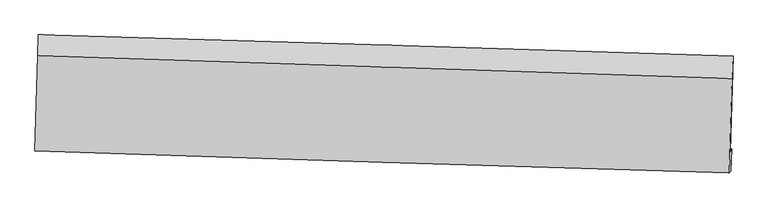
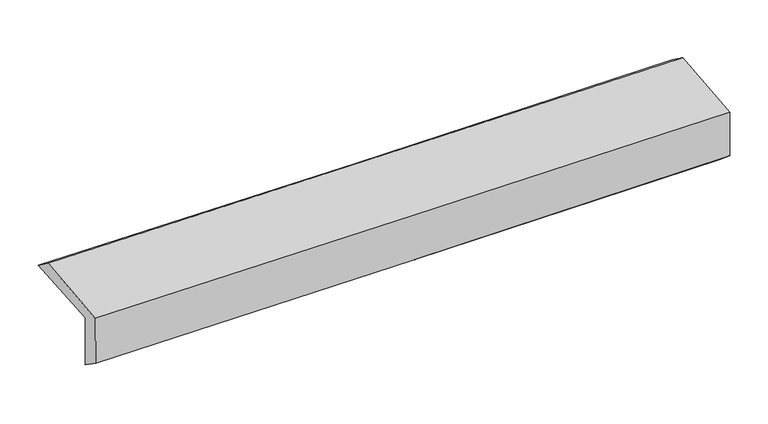
"""IFC4 building model written with IfcOpenShell, lengths in millimetres: proxy geometry."""

from ifc_helpers import new_model, si_unit, frame, origin, place, context, project, spatial, source, transform, mapped, element, save
from ifc_brep_helpers import plane_surface, spline_curve, spline_surface, advanced_brep


def generic_models_e211ffc7(model_context):
    return source(origin(), model_context, "Body", "AdvancedBrep", [
        advanced_brep(
        [(-2439.0905101, -1731.0002718, 1999.5044249), (-2420.4038487, -1062.4253387, 2021.7909494), (2424.6357886, -1210.6529913, 2102.0837817), (2405.3121308, -1879.7569359, 2079.7647074), (-2429.3074092, -1711.2160404, 1599.4420224), (2415.0922504, -1860.2478503, 1679.7529249), (-2436.1507492, -1863.1679496, 1707.0933521), (2407.4831447, -2017.0567312, 1808.4350032), (-2445.2111045, -1875.4178865, 2085.1716253), (2398.6622373, -2028.9829255, 2176.5213869), (-2426.9958939, -1207.9184393, 2126.5850826), (2417.3573906, -1366.4920974, 2217.6393941)],
        [
            (0, 1),
            (1, 2, spline_curve(3, [(-2420.4038487, -1062.4253387, 2021.7909494), (-1609.415504552, -1086.71518561, 2028.347272068), (-798.501290278, -1111.264481377, 2038.358334876), (816.510708096, -1160.677948533, 2065.179200905), (1620.609705822, -1185.537870508, 2081.932415473), (2424.6357886, -1210.6529913, 2102.0837817)], [4, 2, 4], [0.0, 7.985118889373757, 15.904569906819818])),
            (2, 3),
            (3, 0, spline_curve(3, [(2405.3121308, -1879.7569359, 2079.7647074), (1601.407519994, -1854.032912541, 2059.636142328), (797.422154418, -1828.823561585, 2042.897065652), (-817.377381169, -1779.22943601, 2016.087193923), (-1628.192895801, -1754.853232361, 2006.072843426), (-2439.0905101, -1731.0002718, 1999.5044249)], [4, 2, 4], [0.0, 7.919451017446061, 15.904569906819818])),
            (4, 0),
            (3, 5),
            (5, 4, spline_curve(3, [(2415.0922504, -1860.2478503, 1679.7529249), (1611.191253573, -1834.38645666, 1659.598170282), (807.207948692, -1809.085396843, 1642.841760843), (-807.590567032, -1759.398795934, 1616.014868255), (-1618.407148764, -1735.022585709, 1606.000976965), (-2429.3074092, -1711.2160404, 1599.4420224)], [4, 2, 4], [0.0, 7.918950017392104, 15.903563752433115])),
            (6, 4),
            (5, 7),
            (7, 6, spline_curve(3, [(2407.4831447, -2017.0567312, 1808.4350032), (1603.576410973, -1992.746565522, 1787.608174366), (799.653513596, -1967.82290996, 1768.776220211), (-814.890848368, -1916.536865726, 1734.96244999), (-1625.512582506, -1890.164260843, 1720.013853424), (-2436.1507492, -1863.1679496, 1707.0933521)], [4, 2, 4], [0.0, 7.918723315719239, 15.903108469283294])),
            (8, 6),
            (7, 9),
            (9, 8, spline_curve(3, [(2398.6622373, -2028.9829255, 2176.5213869), (1594.635944388, -2004.834408321, 2160.683626898), (790.633231206, -1980.018666896, 2145.182302807), (-823.991608862, -1928.841431849, 2114.726779553), (-1634.613342809, -1902.468826702, 2099.778183182), (-2445.2111045, -1875.4178865, 2085.1716253)], [4, 2, 4], [0.0, 7.918542275239702, 15.902744887141498])),
            (10, 8),
            (9, 11),
            (11, 10, spline_curve(3, [(2417.3573906, -1366.4920974, 2217.6393941), (1613.297530747, -1339.848683303, 2201.953900792), (809.238299359, -1313.366397448, 2186.553442481), (-805.546139377, -1260.505828232, 2156.197258638), (-1616.271335816, -1234.130227957, 2141.246280039), (-2426.9958939, -1207.9184393, 2126.5850826)], [4, 2, 4], [0.0, 7.91907958581196, 15.90382396365063])),
            (1, 10),
            (11, 2),
        ],
        [
            spline_surface(3, 3, [[(-2439.0905101, -1731.0002718, 1999.5044249), (-1628.192895801, -1754.853232468, 2006.072843305), (-817.377381128, -1779.229436111, 2016.087193968), (797.422154377, -1828.823561484, 2042.897065608), (1601.40752002, -1854.032912562, 2059.636142441), (2405.3121308, -1879.7569359, 2079.7647074)], [(-2432.861622967, -1508.141960748, 2006.933266397), (-1621.933765424, -1532.140550176, 2013.497652917), (-811.085350801, -1556.574451201, 2023.510907605), (803.785005604, -1606.108357217, 2050.324443985), (1607.80824868, -1631.201231866, 2067.068233443), (2411.753350083, -1656.722287706, 2087.204398847)], [(-2426.632735833, -1285.283649752, 2014.362107903), (-1615.674635046, -1309.427867942, 2020.922462539), (-804.793320519, -1333.919466214, 2030.934621323), (810.147856786, -1383.393152873, 2057.751822444), (1614.208977291, -1408.369551151, 2074.500324403), (2418.194569317, -1433.687639494, 2094.644090253)], [(-2420.4038487, -1062.4253387, 2021.7909494), (-1609.415504669, -1086.71518565, 2028.347272151), (-798.501290193, -1111.264481304, 2038.35833496), (816.510708012, -1160.677948605, 2065.179200821), (1620.609705951, -1185.537870455, 2081.932415405), (2424.6357886, -1210.6529913, 2102.0837817)]], [4, 4], [4, 2, 4], [0.0, 2.193882269496261], [0.0, 7.985118889373757, 15.904569906819818]),
            spline_surface(3, 3, [[(-2429.3074092, -1711.2160404, 1599.4420224), (-1618.40714876, -1735.022585614, 1606.000976847), (-807.590567121, -1759.398795877, 1616.014868318), (807.20794878, -1809.085396899, 1642.84176078), (1611.191253636, -1834.38645664, 1659.598170154), (2415.0922504, -1860.2478503, 1679.7529249)], [(-2432.568442814, -1717.810784199, 1732.796156559), (-1621.669064421, -1741.632801231, 1739.358265659), (-810.852838487, -1766.00900928, 1749.372310198), (803.946017282, -1815.664785086, 1776.193529053), (1607.93000909, -1840.935275288, 1792.944160917), (2411.832210526, -1866.75087884, 1813.090185734)], [(-2435.829476486, -1724.405528001, 1866.150290741), (-1624.93098014, -1748.243016851, 1872.715554493), (-814.115109761, -1772.619222708, 1882.729752087), (800.684085875, -1822.244173297, 1909.545297335), (1604.668764566, -1847.484093914, 1926.290151678), (2408.572170674, -1873.25390736, 1946.427446566)], [(-2439.0905101, -1731.0002718, 1999.5044249), (-1628.192895801, -1754.853232468, 2006.072843305), (-817.377381128, -1779.229436111, 2016.087193968), (797.422154377, -1828.823561484, 2042.897065608), (1601.40752002, -1854.032912562, 2059.636142441), (2405.3121308, -1879.7569359, 2079.7647074)]], [4, 4], [4, 2, 4], [0.0, 1.3145417876867245], [0.0, 7.984613735041011, 15.903563752433115]),
            spline_surface(3, 3, [[(-2436.1507492, -1863.1679496, 1707.0933521), (-1625.512582537, -1890.164260726, 1720.013853466), (-814.890848452, -1916.536865715, 1734.962449887), (799.653513679, -1967.822909971, 1768.776220314), (1603.576410902, -1992.74656554, 1787.608174259), (2407.4831447, -2017.0567312, 1808.4350032)], [(-2433.869635876, -1812.517313203, 1671.209575544), (-1623.14410462, -1838.450369025, 1682.00956127), (-812.457421311, -1864.157509102, 1695.31325605), (802.171658743, -1914.910405614, 1726.798067155), (1606.114691828, -1939.959862571, 1744.938172895), (2410.019513281, -1964.787104231, 1765.540977104)], [(-2431.588522524, -1761.866676797, 1635.325798956), (-1620.775626677, -1786.736477315, 1644.005269042), (-810.023994262, -1811.77815249, 1655.664062155), (804.689803716, -1861.997901256, 1684.819913939), (1608.65297271, -1887.173159609, 1702.268171518), (2412.555881819, -1912.517477269, 1722.646950996)], [(-2429.3074092, -1711.2160404, 1599.4420224), (-1618.40714876, -1735.022585614, 1606.000976847), (-807.590567121, -1759.398795877, 1616.014868318), (807.20794878, -1809.085396899, 1642.84176078), (1611.191253636, -1834.38645664, 1659.598170154), (2415.0922504, -1860.2478503, 1679.7529249)]], [4, 4], [4, 2, 4], [0.0, 0.6560212531230384], [0.0, 7.984385153564055, 15.903108469283294]),
            spline_surface(3, 3, [[(-2445.2111045, -1875.4178865, 2085.1716253), (-1634.613342887, -1902.468826753, 2099.778183206), (-823.991608801, -1928.841431743, 2114.726779627), (790.633231146, -1980.018667001, 2145.182302734), (1594.6359443, -2004.834408322, 2160.683626835), (2398.6622373, -2028.9829255, 2176.5213869)], [(-2442.190986066, -1871.334574206, 1959.145534225), (-1631.579756103, -1898.367304749, 1973.190073284), (-820.958022017, -1924.739909739, 1988.138669705), (793.639991991, -1975.953414663, 2019.713608586), (1597.616099817, -2000.805127376, 2036.325142629), (2401.60253975, -2025.007527381, 2053.825925653)], [(-2439.170867634, -1867.251261894, 1833.119443175), (-1628.546169321, -1894.265782729, 1846.601963388), (-817.924435236, -1920.638387719, 1861.550559809), (796.646752834, -1971.888162309, 1894.244914462), (1600.596255385, -1996.775846487, 1911.966658464), (2404.54284225, -2021.032129319, 1931.130464447)], [(-2436.1507492, -1863.1679496, 1707.0933521), (-1625.512582537, -1890.164260726, 1720.013853466), (-814.890848452, -1916.536865715, 1734.962449887), (799.653513679, -1967.822909971, 1768.776220314), (1603.576410902, -1992.74656554, 1787.608174259), (2407.4831447, -2017.0567312, 1808.4350032)]], [4, 4], [4, 2, 4], [0.0, 1.2414891504648249], [0.0, 7.984202611901797, 15.902744887141498]),
            spline_surface(3, 3, [[(-2426.9958939, -1207.9184393, 2126.5850826), (-1616.271335943, -1234.130227939, 2141.246279958), (-805.546139321, -1260.505828213, 2156.197258673), (809.238299304, -1313.366397467, 2186.553442447), (1613.297530855, -1339.84868323, 2201.953900884), (2417.3573906, -1366.4920974, 2217.6393941)], [(-2433.067630778, -1430.418255029, 2112.780596843), (-1622.385338269, -1456.909760873, 2127.423581051), (-811.694629174, -1483.284362727, 2142.373765647), (803.036609891, -1535.583820649, 2172.763062533), (1607.077002009, -1561.510591603, 2188.197142876), (2411.125672839, -1587.322373442, 2203.933391708)], [(-2439.139367622, -1652.918070771, 2098.976111057), (-1628.499340561, -1679.689293819, 2113.600882114), (-817.843118948, -1706.062897228, 2128.550272652), (796.834920558, -1757.801243819, 2158.972682649), (1600.856473146, -1783.172499949, 2174.440384843), (2404.893955061, -1808.152649458, 2190.227389292)], [(-2445.2111045, -1875.4178865, 2085.1716253), (-1634.613342887, -1902.468826753, 2099.778183206), (-823.991608801, -1928.841431743, 2114.726779627), (790.633231146, -1980.018667001, 2145.182302734), (1594.6359443, -2004.834408322, 2160.683626835), (2398.6622373, -2028.9829255, 2176.5213869)]], [4, 4], [4, 2, 4], [0.0, 2.195017373985109], [0.0, 7.984744377838671, 15.90382396365063]),
            spline_surface(3, 3, [[(-2420.4038487, -1062.4253387, 2021.7909494), (-1609.415504669, -1086.71518565, 2028.347272151), (-798.501290193, -1111.264481304, 2038.35833496), (816.510708012, -1160.677948605, 2065.179200821), (1620.609705951, -1185.537870455, 2081.932415405), (2424.6357886, -1210.6529913, 2102.0837817)], [(-2422.6011971, -1110.923038916, 2056.722327132), (-1611.70078176, -1135.853533096, 2065.980274752), (-800.849573225, -1161.011596913, 2077.637976228), (814.086571787, -1211.574098198, 2105.637281393), (1618.172314241, -1236.974808046, 2121.939577218), (2422.209655921, -1262.599359999, 2140.602319153)], [(-2424.7985455, -1159.420739084, 2091.653704868), (-1613.986058852, -1184.991880494, 2103.613277357), (-803.197856289, -1210.758712604, 2116.917617406), (811.662435529, -1262.470247874, 2146.095361876), (1615.734922566, -1288.41174564, 2161.946739071), (2419.783523279, -1314.545728701, 2179.120856647)], [(-2426.9958939, -1207.9184393, 2126.5850826), (-1616.271335943, -1234.130227939, 2141.246279958), (-805.546139321, -1260.505828213, 2156.197258673), (809.238299304, -1313.366397467, 2186.553442447), (1613.297530855, -1339.84868323, 2201.953900884), (2417.3573906, -1366.4920974, 2217.6393941)]], [4, 4], [4, 2, 4], [0.0, 0.6322710421870106], [0.0, 7.985421845606197, 15.905173327838881]),
            plane_surface(frame((2411.4238237, -1727.1982553, 2010.699533), z_axis=(0.9992966797331972, -0.029626377586734302, 0.022987466700275738), x_axis=(0.023944795371853695, 0.03237425268473526, -0.9991889483664764))),
            plane_surface(frame((-2432.8599193, -1575.1909877, 1923.2645761), z_axis=(-0.9993230548334187, 0.02869836355359234, -0.023018166906819317), x_axis=(-0.02792357950741326, -0.9990551497593222, -0.0333028744535907))),
        ],
        [
            (0, [[1, 2, 3, 4]]),
            (1, [[5, -4, 6, 7]]),
            (2, [[8, -7, 9, 10]]),
            (3, [[11, -10, 12, 13]]),
            (4, [[14, -13, 15, 16]]),
            (5, [[17, -16, 18, -2]]),
            (6, [[-12, -9, -6, -3, -18, -15]]),
            (7, [[-1, -5, -8, -11, -14, -17]]),
        ],
    ),
    ])


if __name__ == "__main__":
    model = new_model("IFC4")
    model_context = context("Model", 3, world=origin())
    ifc_project = project(units=[si_unit("LENGTHUNIT", "METRE", prefix="MILLI")], contexts=[model_context])
    site = spatial("IfcSite", under=ifc_project)
    building = spatial("IfcBuilding", under=site)
    placement = place(None, origin())
    generic_models_shape = generic_models_e211ffc7(model_context)
    element("IfcBuildingElementProxy", 1, Name="Generic Models", at=placement, inside=building, context=model_context, shape_type="MappedRepresentation", body=[
        mapped(generic_models_shape, transform((0.0, 0.0, 0.0), x_axis=(1.0, 0.0, 0.0), y_axis=(0.0, 1.0, 0.0), z_axis=(0.0, 0.0, 1.0))),
    ])
    save(model, "model.ifc")
